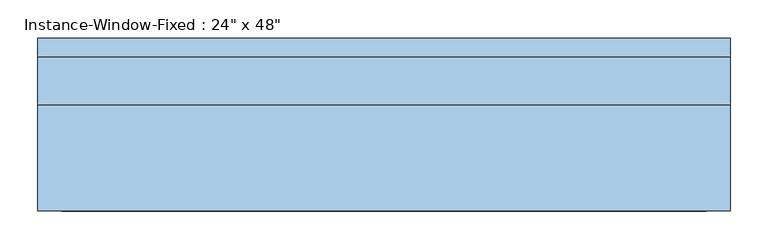
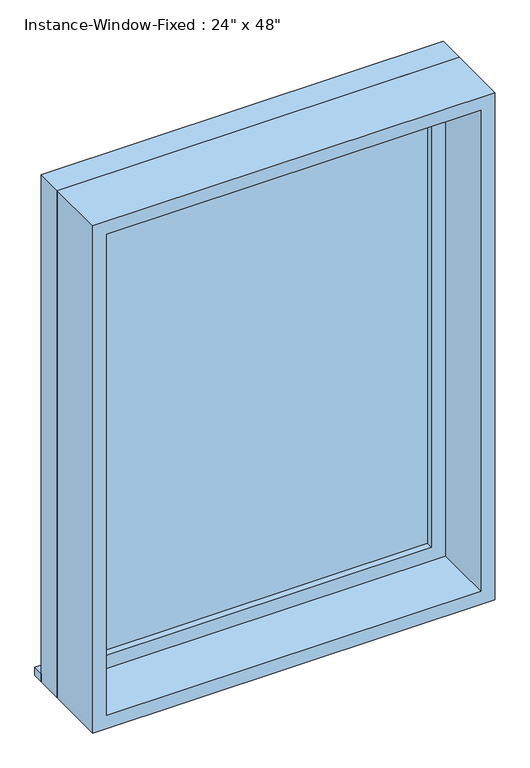
"""IFC4 building model written with IfcOpenShell, lengths in millimetres: window geometry."""

import ifcopenshell
import ifcopenshell.guid

model = None  # the IFC model being written
_history = None  # IfcOwnerHistory: only IFC2X3 demands one
_inside = {}  # id of a spatial element -> (the spatial element, [elements in it])
_under = {}  # id of a project, library or spatial element -> (it, [spatial elements below it])
_declared = {}  # id of a project -> (the project, [libraries it declares])
_typed = {}  # id of a type object -> (the type object, [elements of that type])
_made_of = {}  # id of a material, layer set ... -> (it, [elements and type objects made of it])


def new_model(schema):
    """Start an empty IFC model of exactly this schema.

    Asked for "IFC4X3", IfcOpenShell would pick the latest addendum, in which some entities
    have other attributes; the version numbers below select the first issue.
    IFC2X3 requires an IfcOwnerHistory on every rooted entity: one is made here for all.
    """
    global model, _history
    if schema == "IFC4X3":
        model = ifcopenshell.file(schema_version=(4, 3, 0, 0))
    else:
        model = ifcopenshell.file(schema=schema)
    _inside.clear()
    _under.clear()
    _declared.clear()
    _typed.clear()
    _made_of.clear()
    _history = None
    if model.schema == "IFC2X3":
        org = make("IfcOrganization", Name="unknown")
        user = make(
            "IfcPersonAndOrganization",
            ThePerson=make("IfcPerson", FamilyName="unknown"),
            TheOrganization=org,
        )
        app = make(
            "IfcApplication",
            ApplicationDeveloper=org,
            Version="unknown",
            ApplicationFullName="unknown",
            ApplicationIdentifier="unknown",
        )
        _history = make(
            "IfcOwnerHistory",
            OwningUser=user,
            OwningApplication=app,
            ChangeAction="ADDED",
            CreationDate=0,
        )
    return model


def make(cls, **values):
    """One entity of the class cls with the attributes given. An attribute that is None is left unset."""
    return model.create_entity(
        cls, **{name: value for name, value in values.items() if value is not None}
    )


def rooted(cls, **values):
    """An entity with a GlobalId (a new one), such as an element, a storey or a relation."""
    return make(cls, GlobalId=ifcopenshell.guid.new(), OwnerHistory=_history, **values)


def si_unit(unit_type, name, prefix=None):
    """IfcSIUnit, for example si_unit("LENGTHUNIT", "METRE", prefix="MILLI")."""
    return make("IfcSIUnit", UnitType=unit_type, Prefix=prefix, Name=name)


def assignment(units):
    """IfcUnitAssignment: the units of a project."""
    return None if units is None else make("IfcUnitAssignment", Units=units)


def point(xyz):
    """IfcCartesianPoint."""
    return None if xyz is None else make("IfcCartesianPoint", Coordinates=xyz)


def direction(xyz):
    """IfcDirection."""
    return None if xyz is None else make("IfcDirection", DirectionRatios=xyz)


def frame(location, z_axis=None, x_axis=None):
    """IfcAxis2Placement3D, a coordinate frame: its origin and axes. An axis left out is left unset."""
    return make(
        "IfcAxis2Placement3D",
        Location=point(location),
        Axis=direction(z_axis),
        RefDirection=direction(x_axis),
    )


def origin():
    """The frame at (0, 0, 0) with its axes left unset."""
    return frame((0.0, 0.0, 0.0))


def place(relative_to, where):
    """IfcLocalPlacement: puts the frame where relative to a parent placement (None: the world)."""
    return make(
        "IfcLocalPlacement", PlacementRelTo=relative_to, RelativePlacement=where
    )


def context(
    kind, dimensions, precision=None, world=None, true_north=None, identifier=None
):
    """IfcGeometricRepresentationContext, for example the 3D "Model" context."""
    return make(
        "IfcGeometricRepresentationContext",
        ContextIdentifier=identifier,
        ContextType=kind,
        CoordinateSpaceDimension=dimensions,
        Precision=precision,
        WorldCoordinateSystem=world,
        TrueNorth=true_north,
    )


def project(units=None, contexts=None):
    """IfcProject with its units and contexts."""
    return rooted(
        "IfcProject",
        Name="project",
        RepresentationContexts=contexts,
        UnitsInContext=assignment(units),
    )


def spatial(cls, under=None, at=None, **own):
    """A site, building, storey or space (cls), placed at a placement, below another one or the project."""
    s = rooted(cls, ObjectPlacement=at, **own)
    if under is not None:
        _under.setdefault(under.id(), (under, []))[1].append(s)
    return s


def polyline(points):
    """IfcPolyline through the points."""
    return make("IfcPolyline", Points=[point(p) for p in points])


def outline(outer, holes=None, kind="AREA"):
    """IfcArbitraryClosedProfileDef: a profile drawn as a closed curve; with holes, ...WithVoids."""
    if holes is None:
        return make("IfcArbitraryClosedProfileDef", ProfileType=kind, OuterCurve=outer)
    return make(
        "IfcArbitraryProfileDefWithVoids",
        ProfileType=kind,
        OuterCurve=outer,
        InnerCurves=holes,
    )


def extrude(swept, where, along, depth):
    """IfcExtrudedAreaSolid: the profile swept, set in the frame where, extruded along a direction by depth."""
    return make(
        "IfcExtrudedAreaSolid",
        SweptArea=swept,
        Position=where,
        ExtrudedDirection=direction(along),
        Depth=depth,
    )


def shape(context_of_items, identifier, shape_type, items):
    """IfcShapeRepresentation: the items that make up one representation, for example the "Body"."""
    return make(
        "IfcShapeRepresentation",
        ContextOfItems=context_of_items,
        RepresentationIdentifier=identifier,
        RepresentationType=shape_type,
        Items=items,
    )


def source(mapping_origin, context_of_items, identifier, shape_type, items):
    """IfcRepresentationMap: a shape defined once, which mapped items show again and again."""
    return make(
        "IfcRepresentationMap",
        MappingOrigin=mapping_origin,
        MappedRepresentation=shape(context_of_items, identifier, shape_type, items),
    )


def transform(
    local_origin,
    x_axis=None,
    y_axis=None,
    z_axis=None,
    scale=None,
    scale2=None,
    scale3=None,
    uniform=True,
):
    """IfcCartesianTransformationOperator3D, or its non-uniform kind. x_axis, y_axis, z_axis: its Axis1, 2, 3."""
    if uniform:
        return make(
            "IfcCartesianTransformationOperator3D",
            Axis1=direction(x_axis),
            Axis2=direction(y_axis),
            LocalOrigin=point(local_origin),
            Scale=scale,
            Axis3=direction(z_axis),
        )
    return make(
        "IfcCartesianTransformationOperator3DnonUniform",
        Axis1=direction(x_axis),
        Axis2=direction(y_axis),
        LocalOrigin=point(local_origin),
        Scale=scale,
        Axis3=direction(z_axis),
        Scale2=scale2,
        Scale3=scale3,
    )


def mapped(mapping_source, mapping_target):
    """IfcMappedItem: shows the shape of a source again, moved by a transform."""
    return make(
        "IfcMappedItem", MappingSource=mapping_source, MappingTarget=mapping_target
    )


def made_of(thing, what):
    """Note that an element or type object is made of a material, layer set ...; save() writes the relation."""
    if what is not None:
        _made_of.setdefault(what.id(), (what, []))[1].append(thing)
    return thing


def element(
    cls,
    number,
    at=None,
    inside=None,
    cuts=None,
    type_object=None,
    material=None,
    context=None,
    identifier="Body",
    shape_type=None,
    held_by="IfcProductDefinitionShape",
    body=None,
    shapes=None,
    **own,
):
    """One element of the class cls, such as IfcWall. Its Tag is "e" and its number.

    at: its placement. inside: the storey or other place that contains it. cuts: it is an
    opening in that element (IfcRelVoidsElement). A single representation is given by context,
    identifier, shape_type and body (its items); several are given by shapes. held_by: the class
    of the entity that holds the representations. save() writes the other relations.
    """
    e = rooted(cls, Tag="e%d" % number, ObjectPlacement=at, **own)
    if body is not None:
        shapes = [shape(context, identifier, shape_type, body)]
    if shapes is not None:
        e.Representation = make(held_by, Representations=shapes)
    if inside is not None:
        _inside.setdefault(inside.id(), (inside, []))[1].append(e)
    if cuts is not None:
        rooted(
            "IfcRelVoidsElement", RelatingBuildingElement=cuts, RelatedOpeningElement=e
        )
    if type_object is not None:
        _typed.setdefault(type_object.id(), (type_object, []))[1].append(e)
    return made_of(e, material)


def aggregate(whole, parts):
    """IfcRelAggregates: a whole, such as a stair, and the parts it consists of."""
    return rooted("IfcRelAggregates", RelatingObject=whole, RelatedObjects=parts)


def save(model, path):
    """Write the relations noted so far, then the file.

    IfcRelAggregates (storeys below a building ...), IfcRelContainedInSpatialStructure (elements
    in a storey), IfcRelDefinesByType, IfcRelAssociatesMaterial and IfcRelDeclares: one each for
    every whole, place, type object, material and project.
    """
    for whole, parts in _under.values():
        aggregate(whole, parts)
    for where, things in _inside.values():
        rooted(
            "IfcRelContainedInSpatialStructure",
            RelatedElements=things,
            RelatingStructure=where,
        )
    for kind, things in _typed.values():
        rooted("IfcRelDefinesByType", RelatedObjects=things, RelatingType=kind)
    for what, things in _made_of.values():
        rooted("IfcRelAssociatesMaterial", RelatedObjects=things, RelatingMaterial=what)
    for by, libraries in _declared.values():
        rooted("IfcRelDeclares", RelatingContext=by, RelatedDefinitions=libraries)
    model.write(path)


def window_feec3005(model_context):
    return source(origin(), model_context, "Body", "SweptSolid", [
        extrude(outline(polyline([(-495.3, 127.0), (419.1, 127.0), (419.1, 101.6), (-495.3, 101.6), (-495.3, 127.0)])), frame((0.0, 0.0, 914.4), z_axis=(0.0, 0.0, 1.0), x_axis=(1.0, 0.0, 0.0)), (0.0, 0.0, 1.0), 19.05),
        extrude(outline(polyline([(355.6, 53.975), (-431.8, 53.975), (-431.8, 66.675), (355.6, 66.675), (355.6, 53.975)])), frame((0.0, 0.0, 977.9), z_axis=(0.0, 0.0, 1.0), x_axis=(1.0, 0.0, 0.0)), (0.0, 0.0, 1.0), 1092.2),
        extrude(outline(polyline([(2114.55, -476.25), (933.45, -476.25), (933.45, 400.05), (2114.55, 400.05), (2114.55, -476.25)]), holes=[polyline([(2070.1, -431.8), (2070.1, 355.6), (977.9, 355.6), (977.9, -431.8), (2070.1, -431.8)])]), frame((0.0, 38.1, 0.0), z_axis=(0.0, 1.0, 0.0), x_axis=(0.0, 0.0, 1.0)), (0.0, 0.0, 1.0), 44.45),
        extrude(outline(polyline([(2133.6, -495.3), (914.4, -495.3), (914.4, 419.1), (2133.6, 419.1), (2133.6, -495.3)]), holes=[polyline([(2101.85, -463.55), (2101.85, 387.35), (946.15, 387.35), (946.15, -463.55), (2101.85, -463.55)])]), frame((0.0, -101.6, 0.0), z_axis=(0.0, 1.0, 0.0), x_axis=(0.0, 0.0, 1.0)), (0.0, 0.0, 1.0), 139.7),
        extrude(outline(polyline([(2133.6, 419.1), (2133.6, -495.3), (914.4, -495.3), (914.4, 419.1), (2133.6, 419.1)]), holes=[polyline([(2114.55, 400.05), (933.45, 400.05), (933.45, -476.25), (2114.55, -476.25), (2114.55, 400.05)])]), frame((0.0, 38.1, 0.0), z_axis=(0.0, 1.0, 0.0), x_axis=(0.0, 0.0, 1.0)), (0.0, 0.0, 1.0), 63.5),
    ])


if __name__ == "__main__":
    model = new_model("IFC4")
    model_context = context("Model", 3, world=origin())
    ifc_project = project(units=[si_unit("LENGTHUNIT", "METRE", prefix="MILLI")], contexts=[model_context])
    site = spatial("IfcSite", under=ifc_project)
    building = spatial("IfcBuilding", under=site)
    placement = place(None, origin())
    window_shape = window_feec3005(model_context)
    element("IfcWindow", 1, ObjectType="Instance-Window-Fixed : 24\" x 48\"", at=placement, inside=building, context=model_context, shape_type="MappedRepresentation", body=[
        mapped(window_shape, transform((0.0, 0.0, 0.0), x_axis=(1.0, 0.0, 0.0), y_axis=(0.0, 1.0, 0.0), z_axis=(0.0, 0.0, 1.0))),
    ])
    save(model, "model.ifc")
